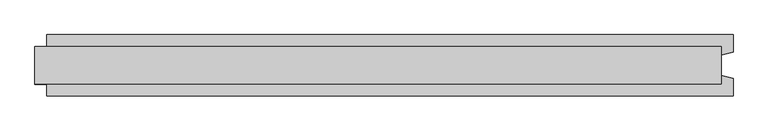
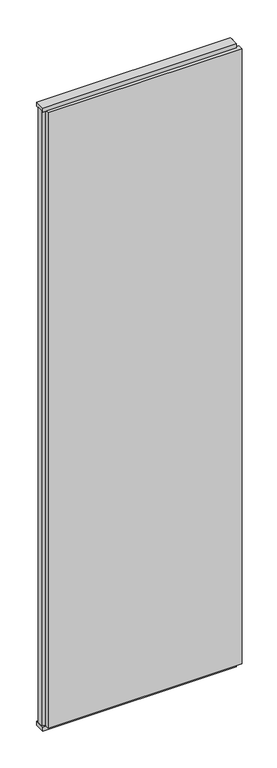
"""IFC4 building model written with IfcOpenShell, lengths in millimetres: plate geometry."""

import ifcopenshell
import ifcopenshell.guid

model = None  # the IFC model being written
_history = None  # IfcOwnerHistory: only IFC2X3 demands one
_inside = {}  # id of a spatial element -> (the spatial element, [elements in it])
_under = {}  # id of a project, library or spatial element -> (it, [spatial elements below it])
_declared = {}  # id of a project -> (the project, [libraries it declares])
_typed = {}  # id of a type object -> (the type object, [elements of that type])
_made_of = {}  # id of a material, layer set ... -> (it, [elements and type objects made of it])


def new_model(schema):
    """Start an empty IFC model of exactly this schema.

    Asked for "IFC4X3", IfcOpenShell would pick the latest addendum, in which some entities
    have other attributes; the version numbers below select the first issue.
    IFC2X3 requires an IfcOwnerHistory on every rooted entity: one is made here for all.
    """
    global model, _history
    if schema == "IFC4X3":
        model = ifcopenshell.file(schema_version=(4, 3, 0, 0))
    else:
        model = ifcopenshell.file(schema=schema)
    _inside.clear()
    _under.clear()
    _declared.clear()
    _typed.clear()
    _made_of.clear()
    _history = None
    if model.schema == "IFC2X3":
        org = make("IfcOrganization", Name="unknown")
        user = make(
            "IfcPersonAndOrganization",
            ThePerson=make("IfcPerson", FamilyName="unknown"),
            TheOrganization=org,
        )
        app = make(
            "IfcApplication",
            ApplicationDeveloper=org,
            Version="unknown",
            ApplicationFullName="unknown",
            ApplicationIdentifier="unknown",
        )
        _history = make(
            "IfcOwnerHistory",
            OwningUser=user,
            OwningApplication=app,
            ChangeAction="ADDED",
            CreationDate=0,
        )
    return model


def make(cls, **values):
    """One entity of the class cls with the attributes given. An attribute that is None is left unset."""
    return model.create_entity(
        cls, **{name: value for name, value in values.items() if value is not None}
    )


def rooted(cls, **values):
    """An entity with a GlobalId (a new one), such as an element, a storey or a relation."""
    return make(cls, GlobalId=ifcopenshell.guid.new(), OwnerHistory=_history, **values)


def si_unit(unit_type, name, prefix=None):
    """IfcSIUnit, for example si_unit("LENGTHUNIT", "METRE", prefix="MILLI")."""
    return make("IfcSIUnit", UnitType=unit_type, Prefix=prefix, Name=name)


def assignment(units):
    """IfcUnitAssignment: the units of a project."""
    return None if units is None else make("IfcUnitAssignment", Units=units)


def point(xyz):
    """IfcCartesianPoint."""
    return None if xyz is None else make("IfcCartesianPoint", Coordinates=xyz)


def direction(xyz):
    """IfcDirection."""
    return None if xyz is None else make("IfcDirection", DirectionRatios=xyz)


def frame(location, z_axis=None, x_axis=None):
    """IfcAxis2Placement3D, a coordinate frame: its origin and axes. An axis left out is left unset."""
    return make(
        "IfcAxis2Placement3D",
        Location=point(location),
        Axis=direction(z_axis),
        RefDirection=direction(x_axis),
    )


def origin():
    """The frame at (0, 0, 0) with its axes left unset."""
    return frame((0.0, 0.0, 0.0))


def origin_with_axes():
    """The frame at (0, 0, 0) with the z axis (0, 0, 1) and the x axis (1, 0, 0) written out."""
    return frame((0.0, 0.0, 0.0), z_axis=(0.0, 0.0, 1.0), x_axis=(1.0, 0.0, 0.0))


def place(relative_to, where):
    """IfcLocalPlacement: puts the frame where relative to a parent placement (None: the world)."""
    return make(
        "IfcLocalPlacement", PlacementRelTo=relative_to, RelativePlacement=where
    )


def context(
    kind, dimensions, precision=None, world=None, true_north=None, identifier=None
):
    """IfcGeometricRepresentationContext, for example the 3D "Model" context."""
    return make(
        "IfcGeometricRepresentationContext",
        ContextIdentifier=identifier,
        ContextType=kind,
        CoordinateSpaceDimension=dimensions,
        Precision=precision,
        WorldCoordinateSystem=world,
        TrueNorth=true_north,
    )


def project(units=None, contexts=None):
    """IfcProject with its units and contexts."""
    return rooted(
        "IfcProject",
        Name="project",
        RepresentationContexts=contexts,
        UnitsInContext=assignment(units),
    )


def spatial(cls, under=None, at=None, **own):
    """A site, building, storey or space (cls), placed at a placement, below another one or the project."""
    s = rooted(cls, ObjectPlacement=at, **own)
    if under is not None:
        _under.setdefault(under.id(), (under, []))[1].append(s)
    return s


def polyline(points):
    """IfcPolyline through the points."""
    return make("IfcPolyline", Points=[point(p) for p in points])


def outline(outer, holes=None, kind="AREA"):
    """IfcArbitraryClosedProfileDef: a profile drawn as a closed curve; with holes, ...WithVoids."""
    if holes is None:
        return make("IfcArbitraryClosedProfileDef", ProfileType=kind, OuterCurve=outer)
    return make(
        "IfcArbitraryProfileDefWithVoids",
        ProfileType=kind,
        OuterCurve=outer,
        InnerCurves=holes,
    )


def extrude(swept, where, along, depth):
    """IfcExtrudedAreaSolid: the profile swept, set in the frame where, extruded along a direction by depth."""
    return make(
        "IfcExtrudedAreaSolid",
        SweptArea=swept,
        Position=where,
        ExtrudedDirection=direction(along),
        Depth=depth,
    )


def shape(context_of_items, identifier, shape_type, items):
    """IfcShapeRepresentation: the items that make up one representation, for example the "Body"."""
    return make(
        "IfcShapeRepresentation",
        ContextOfItems=context_of_items,
        RepresentationIdentifier=identifier,
        RepresentationType=shape_type,
        Items=items,
    )


def source(mapping_origin, context_of_items, identifier, shape_type, items):
    """IfcRepresentationMap: a shape defined once, which mapped items show again and again."""
    return make(
        "IfcRepresentationMap",
        MappingOrigin=mapping_origin,
        MappedRepresentation=shape(context_of_items, identifier, shape_type, items),
    )


def transform(
    local_origin,
    x_axis=None,
    y_axis=None,
    z_axis=None,
    scale=None,
    scale2=None,
    scale3=None,
    uniform=True,
):
    """IfcCartesianTransformationOperator3D, or its non-uniform kind. x_axis, y_axis, z_axis: its Axis1, 2, 3."""
    if uniform:
        return make(
            "IfcCartesianTransformationOperator3D",
            Axis1=direction(x_axis),
            Axis2=direction(y_axis),
            LocalOrigin=point(local_origin),
            Scale=scale,
            Axis3=direction(z_axis),
        )
    return make(
        "IfcCartesianTransformationOperator3DnonUniform",
        Axis1=direction(x_axis),
        Axis2=direction(y_axis),
        LocalOrigin=point(local_origin),
        Scale=scale,
        Axis3=direction(z_axis),
        Scale2=scale2,
        Scale3=scale3,
    )


def mapped(mapping_source, mapping_target):
    """IfcMappedItem: shows the shape of a source again, moved by a transform."""
    return make(
        "IfcMappedItem", MappingSource=mapping_source, MappingTarget=mapping_target
    )


def made_of(thing, what):
    """Note that an element or type object is made of a material, layer set ...; save() writes the relation."""
    if what is not None:
        _made_of.setdefault(what.id(), (what, []))[1].append(thing)
    return thing


def element(
    cls,
    number,
    at=None,
    inside=None,
    cuts=None,
    type_object=None,
    material=None,
    context=None,
    identifier="Body",
    shape_type=None,
    held_by="IfcProductDefinitionShape",
    body=None,
    shapes=None,
    **own,
):
    """One element of the class cls, such as IfcWall. Its Tag is "e" and its number.

    at: its placement. inside: the storey or other place that contains it. cuts: it is an
    opening in that element (IfcRelVoidsElement). A single representation is given by context,
    identifier, shape_type and body (its items); several are given by shapes. held_by: the class
    of the entity that holds the representations. save() writes the other relations.
    """
    e = rooted(cls, Tag="e%d" % number, ObjectPlacement=at, **own)
    if body is not None:
        shapes = [shape(context, identifier, shape_type, body)]
    if shapes is not None:
        e.Representation = make(held_by, Representations=shapes)
    if inside is not None:
        _inside.setdefault(inside.id(), (inside, []))[1].append(e)
    if cuts is not None:
        rooted(
            "IfcRelVoidsElement", RelatingBuildingElement=cuts, RelatedOpeningElement=e
        )
    if type_object is not None:
        _typed.setdefault(type_object.id(), (type_object, []))[1].append(e)
    return made_of(e, material)


def aggregate(whole, parts):
    """IfcRelAggregates: a whole, such as a stair, and the parts it consists of."""
    return rooted("IfcRelAggregates", RelatingObject=whole, RelatedObjects=parts)


def save(model, path):
    """Write the relations noted so far, then the file.

    IfcRelAggregates (storeys below a building ...), IfcRelContainedInSpatialStructure (elements
    in a storey), IfcRelDefinesByType, IfcRelAssociatesMaterial and IfcRelDeclares: one each for
    every whole, place, type object, material and project.
    """
    for whole, parts in _under.values():
        aggregate(whole, parts)
    for where, things in _inside.values():
        rooted(
            "IfcRelContainedInSpatialStructure",
            RelatedElements=things,
            RelatingStructure=where,
        )
    for kind, things in _typed.values():
        rooted("IfcRelDefinesByType", RelatedObjects=things, RelatingType=kind)
    for what, things in _made_of.values():
        rooted("IfcRelAssociatesMaterial", RelatedObjects=things, RelatingMaterial=what)
    for by, libraries in _declared.values():
        rooted("IfcRelDeclares", RelatingContext=by, RelatedDefinitions=libraries)
    model.write(path)


def plate_9ba73971(model_context):
    return source(origin(), model_context, "Body", "SweptSolid", [
        extrude(outline(polyline([(609.0, 52.5), (609.0, 22.9993165), (589.0, 17.6401049), (589.0, -17.6401049), (609.0, -22.9993165), (609.0, -52.5), (-569.0, -52.5), (-569.0, -22.9993165), (-589.0, -17.6401049), (-589.0, 17.6401049), (-569.0, 22.9993165), (-569.0, 52.5), (609.0, 52.5)])), frame((0.0, 0.0, 25.0), z_axis=(0.0, 0.0, 1.0), x_axis=(1.0, 0.0, 0.0)), (0.0, 0.0, 1.0), 3950.0),
        extrude(outline(polyline([(589.0, 32.0), (589.0, -32.0), (-589.0, -32.0), (-589.0, 32.0), (589.0, 32.0)])), origin_with_axes(), (0.0, 0.0, 1.0), 25.0),
        extrude(outline(polyline([(589.0, 32.0), (589.0, -32.0), (-589.0, -32.0), (-589.0, 32.0), (589.0, 32.0)])), frame((0.0, 0.0, 3975.0), z_axis=(0.0, 0.0, 1.0), x_axis=(1.0, 0.0, 0.0)), (0.0, 0.0, 1.0), 25.0),
    ])


if __name__ == "__main__":
    model = new_model("IFC4")
    model_context = context("Model", 3, world=origin())
    ifc_project = project(units=[si_unit("LENGTHUNIT", "METRE", prefix="MILLI")], contexts=[model_context])
    site = spatial("IfcSite", under=ifc_project)
    building = spatial("IfcBuilding", under=site)
    placement = place(None, origin())
    plate_shape = plate_9ba73971(model_context)
    element("IfcPlate", 1, at=placement, inside=building, context=model_context, shape_type="MappedRepresentation", body=[
        mapped(plate_shape, transform((0.0, 0.0, 0.0), x_axis=(1.0, 0.0, 0.0), y_axis=(0.0, 1.0, 0.0), z_axis=(0.0, 0.0, 1.0))),
    ])
    save(model, "model.ifc")
